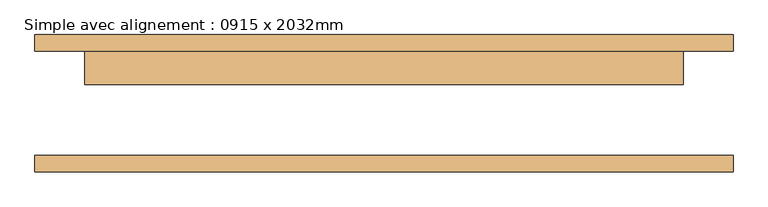
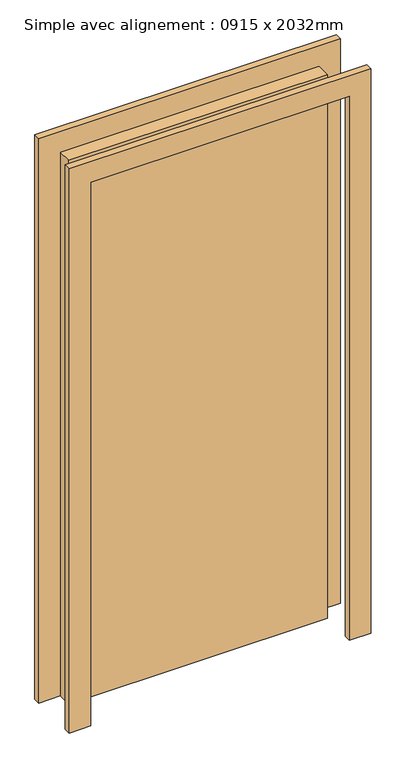
"""IFC4 building model written with IfcOpenShell, lengths in millimetres: door geometry, Simple avec alignement : 0915 x 2032mm."""

from ifc_helpers import new_model, si_unit, frame, origin, origin_with_axes, place, context, project, spatial, polyline, outline, extrude, source, transform, mapped, element, save


def simple_avec_alignement_0915_x_2032mm_7280dbac(model_context):
    return source(origin(), model_context, "Body", "SweptSolid", [
        extrude(outline(polyline([(2108.0, -533.5), (0.0, -533.5), (0.0, -457.5), (2032.0, -457.5), (2032.0, 457.5), (0.0, 457.5), (0.0, 533.5), (2108.0, 533.5), (2108.0, -533.5)])), frame((0.0, 80.0, 0.0), z_axis=(0.0, 1.0, 0.0), x_axis=(0.0, 0.0, 1.0)), (0.0, 0.0, 1.0), 25.0),
        extrude(outline(polyline([(2108.0, 533.5), (2108.0, -533.5), (0.0, -533.5), (0.0, -457.5), (2032.0, -457.5), (2032.0, 457.5), (0.0, 457.5), (0.0, 533.5), (2108.0, 533.5)])), frame((0.0, -105.0, 0.0), z_axis=(0.0, 1.0, 0.0), x_axis=(0.0, 0.0, 1.0)), (0.0, 0.0, 1.0), 25.0),
        extrude(outline(polyline([(457.5, 29.0), (-457.5, 29.0), (-457.5, 80.0), (457.5, 80.0), (457.5, 29.0)])), origin_with_axes(), (0.0, 0.0, 1.0), 2032.0),
    ])


if __name__ == "__main__":
    model = new_model("IFC4")
    model_context = context("Model", 3, world=origin())
    ifc_project = project(units=[si_unit("LENGTHUNIT", "METRE", prefix="MILLI")], contexts=[model_context])
    site = spatial("IfcSite", under=ifc_project)
    building = spatial("IfcBuilding", under=site)
    placement = place(None, origin())
    simple_avec_alignement_0915_x_2032mm_shape = simple_avec_alignement_0915_x_2032mm_7280dbac(model_context)
    element("IfcDoor", 1, ObjectType="Simple avec alignement : 0915 x 2032mm", at=placement, inside=building, context=model_context, shape_type="MappedRepresentation", body=[
        mapped(simple_avec_alignement_0915_x_2032mm_shape, transform((0.0, 0.0, 0.0), x_axis=(1.0, 0.0, 0.0), y_axis=(0.0, 1.0, 0.0), z_axis=(0.0, 0.0, 1.0))),
    ])
    save(model, "model.ifc")
